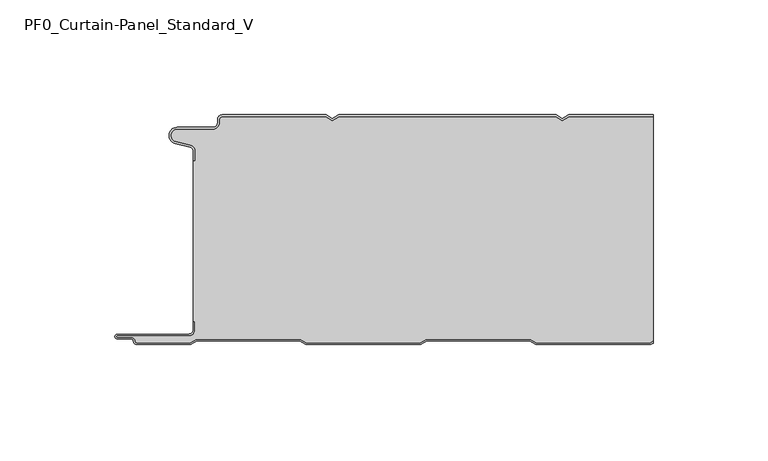
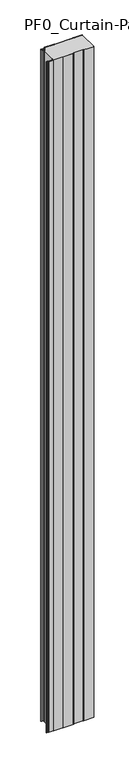
"""IFC4 building model written with IfcOpenShell, lengths in millimetres: plate geometry, PF0_Curtain-Panel_Standard_V."""

from ifc_helpers import new_model, si_unit, point, frame_2d, origin, origin_with_axes, place, context, project, spatial, polyline, circle_curve, trimmed, segment, composite_curve, outline, extrude, source, transform, mapped, element, save


def pf0_curtain_panel_standard_v_7754b261(model_context):
    return source(origin(), model_context, "Body", "SweptSolid", [
        extrude(outline(composite_curve([segment(trimmed(circle_curve(frame_2d((-102.0, -15.878557)), 2.0), [point((-100.0, -15.878557))], [point((-101.5500978, -13.9298169))], True, "CARTESIAN"), True, "CONTINUOUS"), segment(polyline([(-101.5500978, -13.9298169), (-107.7098239, -12.507732)]), True, "CONTINUOUS"), segment(trimmed(circle_curve(frame_2d((-106.9, -9.0)), 3.6), [point((-107.7098239, -12.507732))], [point((-106.9, -5.4))], False, "CARTESIAN"), True, "CONTINUOUS"), segment(polyline([(-106.9, -5.4), (-91.4, -5.4)]), True, "CONTINUOUS"), segment(trimmed(circle_curve(frame_2d((-91.4, -3.4)), 2.0), [point((-91.4, -5.4))], [point((-89.4, -3.4))], True, "CARTESIAN"), True, "CONTINUOUS"), segment(polyline([(-89.4, -3.4), (-89.4, -2.0)]), True, "CONTINUOUS"), segment(trimmed(circle_curve(frame_2d((-87.4, -2.0)), 2.0), [point((-89.4, -2.0))], [point((-87.4, 0.0))], False, "CARTESIAN"), True, "CONTINUOUS"), segment(polyline([(-87.4, 0.0), (-42.0999995, 0.0), (-39.4, -1.5588455), (-36.7000005, 0.0), (57.9000005, 0.0), (60.6, -1.5588455), (63.2999995, 0.0), (100.0, 0.0), (100.0, -0.8), (63.5143588, -0.8), (60.6, -2.482606), (57.6856412, -0.8), (-36.4856412, -0.8), (-39.4, -2.482606), (-42.3143588, -0.8), (-87.4, -0.8)]), True, "CONTINUOUS"), segment(trimmed(circle_curve(frame_2d((-87.4, -2.0)), 1.2), [point((-87.4, -0.8))], [point((-88.6, -2.0))], True, "CARTESIAN"), True, "CONTINUOUS"), segment(polyline([(-88.6, -2.0), (-88.6, -3.4)]), True, "CONTINUOUS"), segment(trimmed(circle_curve(frame_2d((-91.4, -3.4)), 2.8), [point((-88.6, -3.4))], [point((-91.4, -6.2))], False, "CARTESIAN"), True, "CONTINUOUS"), segment(polyline([(-91.4, -6.2), (-106.9, -6.2)]), True, "CONTINUOUS"), segment(trimmed(circle_curve(frame_2d((-106.9, -9.0)), 2.8), [point((-106.9, -6.2))], [point((-107.529863, -11.7282362))], True, "CARTESIAN"), True, "CONTINUOUS"), segment(polyline([(-107.529863, -11.7282362), (-101.370137, -13.150321)]), True, "CONTINUOUS"), segment(trimmed(circle_curve(frame_2d((-102.0, -15.878557)), 2.8), [point((-101.370137, -13.150321))], [point((-99.2, -15.878557))], False, "CARTESIAN"), True, "CONTINUOUS"), segment(polyline([(-99.2, -15.878557), (-99.2, -20.0), (-100.0, -20.0), (-100.0, -15.878557)]), True, "CONTINUOUS")], self_intersect=False)), origin_with_axes(), (0.0, 0.0, 1.0), 3500.0),
        extrude(outline(composite_curve([segment(polyline([(-99.2, -90.0), (-100.0, -90.0), (-100.0, -20.0), (-99.2, -20.0), (-99.2, -15.878557)]), True, "CONTINUOUS"), segment(trimmed(circle_curve(frame_2d((-102.0, -15.878557)), 2.8), [point((-99.2, -15.878557))], [point((-101.370137, -13.1503208))], True, "CARTESIAN"), True, "CONTINUOUS"), segment(polyline([(-101.370137, -13.1503208), (-107.529863, -11.7282362)]), True, "CONTINUOUS"), segment(trimmed(circle_curve(frame_2d((-106.9, -9.0)), 2.8), [point((-107.529863, -11.7282362))], [point((-106.9, -6.2))], False, "CARTESIAN"), True, "CONTINUOUS"), segment(polyline([(-106.9, -6.2), (-91.4, -6.2)]), True, "CONTINUOUS"), segment(trimmed(circle_curve(frame_2d((-91.4, -3.4)), 2.8), [point((-91.4, -6.2))], [point((-88.6, -3.4))], True, "CARTESIAN"), True, "CONTINUOUS"), segment(polyline([(-88.6, -3.4), (-88.6, -2.0)]), True, "CONTINUOUS"), segment(trimmed(circle_curve(frame_2d((-87.4, -2.0)), 1.2), [point((-88.6, -2.0))], [point((-87.4, -0.8))], False, "CARTESIAN"), True, "CONTINUOUS"), segment(polyline([(-87.4, -0.8), (-42.3143588, -0.8), (-39.4, -2.482606), (-36.4856412, -0.8), (57.6856412, -0.8), (60.6, -2.482606), (63.5143588, -0.8), (100.0, -0.8), (100.0, -98.5016287), (98.7903848, -99.2), (49.2152562, -99.2), (46.6171786, -97.7), (1.3884624, -97.7), (-1.2096152, -99.2), (-50.7847438, -99.2), (-53.3828214, -97.7), (-98.6115376, -97.7), (-101.2096152, -99.2), (-124.4, -99.2)]), True, "CONTINUOUS"), segment(trimmed(circle_curve(frame_2d((-124.4, -98.4)), 0.8), [point((-124.4, -99.2))], [point((-125.2, -98.4))], False, "CARTESIAN"), True, "CONTINUOUS"), segment(trimmed(circle_curve(frame_2d((-126.9, -98.6133333)), 1.7133333), [point((-125.2, -98.4))], [point((-126.9, -96.9))], True, "CARTESIAN"), True, "CONTINUOUS"), segment(polyline([(-126.9, -96.9), (-132.8700312, -96.9)]), True, "CONTINUOUS"), segment(trimmed(circle_curve(frame_2d((-132.8700312, -96.6)), 0.3), [point((-132.8700312, -96.9))], [point((-132.8700312, -96.3))], False, "CARTESIAN"), True, "CONTINUOUS"), segment(polyline([(-132.8700312, -96.3), (-102.0, -96.3)]), True, "CONTINUOUS"), segment(trimmed(circle_curve(frame_2d((-102.0, -93.5)), 2.8), [point((-102.0, -96.3))], [point((-99.2, -93.5))], True, "CARTESIAN"), True, "CONTINUOUS"), segment(polyline([(-99.2, -93.5), (-99.2, -90.0)]), True, "CONTINUOUS")], self_intersect=False)), origin_with_axes(), (0.0, 0.0, 1.0), 3500.0),
        extrude(outline(composite_curve([segment(polyline([(-100.0, -90.0), (-99.2, -90.0), (-99.2, -93.5)]), True, "CONTINUOUS"), segment(trimmed(circle_curve(frame_2d((-102.0, -93.5)), 2.8), [point((-99.2, -93.5))], [point((-102.0, -96.3))], False, "CARTESIAN"), True, "CONTINUOUS"), segment(polyline([(-102.0, -96.3), (-132.8700312, -96.3)]), True, "CONTINUOUS"), segment(trimmed(circle_curve(frame_2d((-132.8700312, -96.6)), 0.3), [point((-132.8700312, -96.3))], [point((-132.8700312, -96.9))], True, "CARTESIAN"), True, "CONTINUOUS"), segment(polyline([(-132.8700312, -96.9), (-126.9, -96.9)]), True, "CONTINUOUS"), segment(trimmed(circle_curve(frame_2d((-126.9, -98.6133333)), 1.7133333), [point((-126.9, -96.9))], [point((-125.2, -98.4))], False, "CARTESIAN"), True, "CONTINUOUS"), segment(trimmed(circle_curve(frame_2d((-124.4, -98.4)), 0.8), [point((-125.2, -98.4))], [point((-124.4, -99.2))], True, "CARTESIAN"), True, "CONTINUOUS"), segment(polyline([(-124.4, -99.2), (-101.2096152, -99.2), (-98.6115376, -97.7), (-53.3828214, -97.7), (-50.7847438, -99.2), (-1.2096152, -99.2), (1.3884624, -97.7), (46.6171786, -97.7), (49.2152562, -99.2), (98.7903848, -99.2), (100.0, -98.5016287), (100.0, -99.425389), (99.0047441, -100.0), (49.0008969, -100.0), (46.4028193, -98.5), (1.6028217, -98.5), (-0.9952559, -100.0), (-50.9991031, -100.0), (-53.5971807, -98.5), (-98.3971783, -98.5), (-100.9952559, -100.0), (-124.4, -100.0)]), True, "CONTINUOUS"), segment(trimmed(circle_curve(frame_2d((-124.4, -98.4)), 1.6), [point((-124.4, -100.0))], [point((-126.0, -98.4))], False, "CARTESIAN"), True, "CONTINUOUS"), segment(trimmed(circle_curve(frame_2d((-126.9, -98.4)), 0.9), [point((-126.0, -98.4))], [point((-126.9, -97.5))], True, "CARTESIAN"), True, "CONTINUOUS"), segment(polyline([(-126.9, -97.5), (-133.0, -97.5)]), True, "CONTINUOUS"), segment(trimmed(circle_curve(frame_2d((-133.0, -96.5)), 1.0), [point((-133.0, -97.5))], [point((-133.0, -95.5))], False, "CARTESIAN"), True, "CONTINUOUS"), segment(polyline([(-133.0, -95.5), (-102.0, -95.5)]), True, "CONTINUOUS"), segment(trimmed(circle_curve(frame_2d((-102.0, -93.5)), 2.0), [point((-102.0, -95.5))], [point((-100.0, -93.5))], True, "CARTESIAN"), True, "CONTINUOUS"), segment(polyline([(-100.0, -93.5), (-100.0, -90.0)]), True, "CONTINUOUS")], self_intersect=False)), origin_with_axes(), (0.0, 0.0, 1.0), 3500.0),
    ])


if __name__ == "__main__":
    model = new_model("IFC4")
    model_context = context("Model", 3, world=origin())
    ifc_project = project(units=[si_unit("LENGTHUNIT", "METRE", prefix="MILLI")], contexts=[model_context])
    site = spatial("IfcSite", under=ifc_project)
    building = spatial("IfcBuilding", under=site)
    placement = place(None, origin())
    pf0_curtain_panel_standard_v_shape = pf0_curtain_panel_standard_v_7754b261(model_context)
    element("IfcPlate", 1, ObjectType="PF0_Curtain-Panel_Standard_V", at=placement, inside=building, context=model_context, shape_type="MappedRepresentation", body=[
        mapped(pf0_curtain_panel_standard_v_shape, transform((0.0, 0.0, 0.0), x_axis=(1.0, 0.0, 0.0), y_axis=(0.0, 1.0, 0.0), z_axis=(0.0, 0.0, 1.0))),
    ])
    save(model, "model.ifc")
